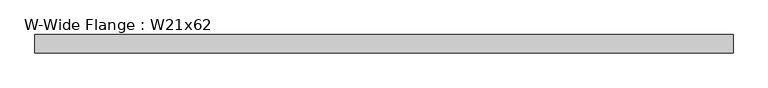
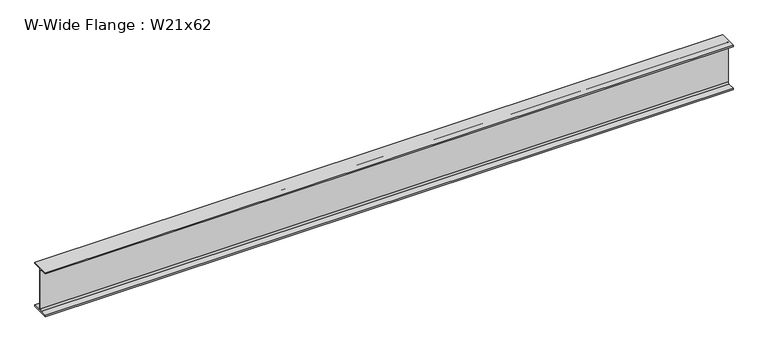
"""IFC4 building model written with IfcOpenShell, lengths in millimetres: beam geometry, W-Wide Flange : W21x62."""

from ifc_helpers import new_model, si_unit, point, frame, frame_2d, origin, place, context, project, spatial, polyline, circle_curve, trimmed, segment, composite_curve, outline, extrude, source, transform, mapped, element, save


def w_wide_flange_w21x62_a786e57e(model_context):
    return source(origin(), model_context, "Body", "SweptSolid", [
        extrude(outline(composite_curve([segment(polyline([(104.648, -251.079), (104.648, -266.7), (-104.648, -266.7), (-104.648, -251.079), (-22.7965, -251.079)]), True, "CONTINUOUS"), segment(trimmed(circle_curve(frame_2d((-22.7965, -233.3625)), 17.7165), [point((-22.7965, -251.079))], [point((-5.08, -233.3625))], True, "CARTESIAN"), True, "CONTINUOUS"), segment(polyline([(-5.08, -233.3625), (-5.08, 233.3625)]), True, "CONTINUOUS"), segment(trimmed(circle_curve(frame_2d((-22.7965, 233.3625)), 17.7165), [point((-5.08, 233.3625))], [point((-22.7965, 251.079))], True, "CARTESIAN"), True, "CONTINUOUS"), segment(polyline([(-22.7965, 251.079), (-104.648, 251.079), (-104.648, 266.7), (104.648, 266.7), (104.648, 251.079), (22.7965, 251.079)]), True, "CONTINUOUS"), segment(trimmed(circle_curve(frame_2d((22.7965, 233.3625)), 17.7165), [point((22.7965, 251.079))], [point((5.08, 233.3625))], True, "CARTESIAN"), True, "CONTINUOUS"), segment(polyline([(5.08, 233.3625), (5.08, -233.3625)]), True, "CONTINUOUS"), segment(trimmed(circle_curve(frame_2d((22.7965, -233.3625)), 17.7165), [point((5.08, -233.3625))], [point((22.7965, -251.079))], True, "CARTESIAN"), True, "CONTINUOUS"), segment(polyline([(22.7965, -251.079), (104.648, -251.079)]), True, "CONTINUOUS")], self_intersect=False)), frame((-3846.4756305, 0.0, 0.0), z_axis=(1.0, 0.0, 0.0), x_axis=(0.0, 1.0, 0.0)), (0.0, 0.0, 1.0), 7865.1632609),
    ])


if __name__ == "__main__":
    model = new_model("IFC4")
    model_context = context("Model", 3, world=origin())
    ifc_project = project(units=[si_unit("LENGTHUNIT", "METRE", prefix="MILLI")], contexts=[model_context])
    site = spatial("IfcSite", under=ifc_project)
    building = spatial("IfcBuilding", under=site)
    placement = place(None, origin())
    w_wide_flange_w21x62_shape = w_wide_flange_w21x62_a786e57e(model_context)
    element("IfcBeam", 1, ObjectType="W-Wide Flange : W21x62", at=placement, inside=building, context=model_context, shape_type="MappedRepresentation", body=[
        mapped(w_wide_flange_w21x62_shape, transform((0.0, 0.0, 0.0), x_axis=(1.0, 0.0, 0.0), y_axis=(0.0, 1.0, 0.0), z_axis=(0.0, 0.0, 1.0))),
    ])
    save(model, "model.ifc")
